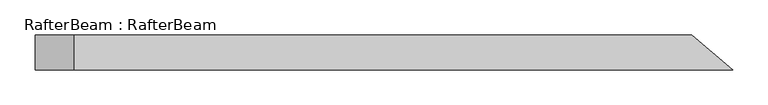
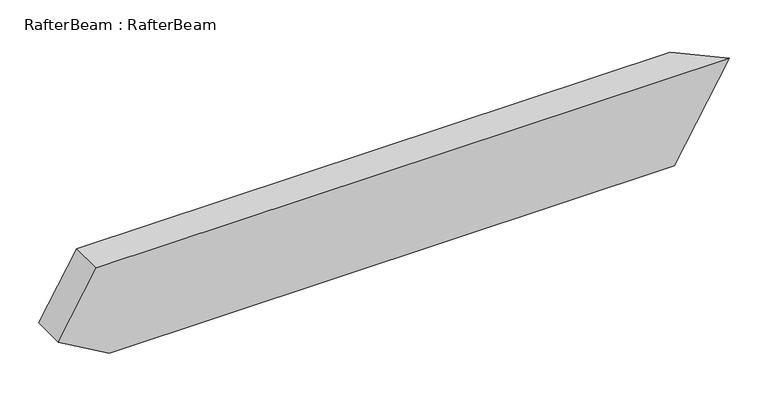
"""IFC4 building model written with IfcOpenShell, lengths in millimetres: beam geometry, RafterBeam : RafterBeam."""

from ifc_helpers import new_model, si_unit, origin, place, context, project, spatial, faceted_brep, source, transform, mapped, element, save


def rafterbeam_rafterbeam_29d5fe33(model_context):
    return source(origin(), model_context, "Body", "Brep", [
        faceted_brep([(462.6484282, -25.0, 70.0), (404.3795666, 25.0, 70.0), (-474.3388264, 25.0, 70.0), (-474.3388264, -25.0, 70.0), (323.5505289, 25.0, -70.0), (381.8193905, -25.0, -70.0), (-455.1678641, -25.0, -70.0), (-455.1678641, 25.0, -70.0), (-530.1678641, 25.0, -26.6987298), (-530.1678641, -25.0, -26.6987298)], [[[0, 1, 2, 3]], [[4, 5, 6, 7]], [[1, 4, 7, 8, 2]], [[5, 0, 3, 9, 6]], [[0, 5, 4, 1]], [[3, 2, 8, 9]], [[7, 6, 9, 8]]]),
    ])


if __name__ == "__main__":
    model = new_model("IFC4")
    model_context = context("Model", 3, world=origin())
    ifc_project = project(units=[si_unit("LENGTHUNIT", "METRE", prefix="MILLI")], contexts=[model_context])
    site = spatial("IfcSite", under=ifc_project)
    building = spatial("IfcBuilding", under=site)
    placement = place(None, origin())
    rafterbeam_rafterbeam_shape = rafterbeam_rafterbeam_29d5fe33(model_context)
    element("IfcBeam", 1, ObjectType="RafterBeam : RafterBeam", at=placement, inside=building, context=model_context, shape_type="MappedRepresentation", body=[
        mapped(rafterbeam_rafterbeam_shape, transform((0.0, 0.0, 0.0), x_axis=(1.0, 0.0, 0.0), y_axis=(0.0, 1.0, 0.0), z_axis=(0.0, 0.0, 1.0))),
    ])
    save(model, "model.ifc")
